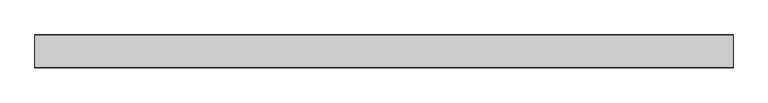
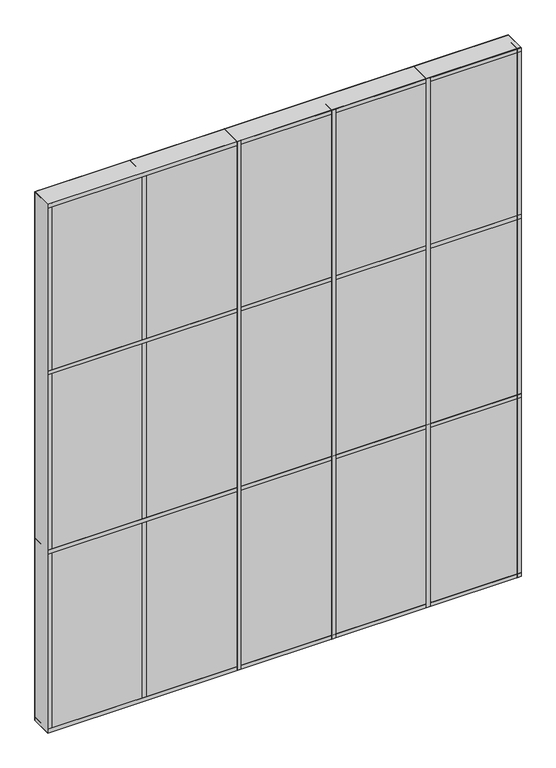
"""IFC4 building model written with IfcOpenShell, lengths in millimetres: plate geometry."""

from ifc_helpers import new_model, si_unit, frame, origin, origin_with_axes, place, context, project, spatial, polyline, outline, extrude, source, transform, mapped, element, save


def plate_5e3187c9(model_context):
    return source(origin(), model_context, "Body", "SweptSolid", [
        extrude(outline(polyline([(762.0, 34.925), (762.0, -34.925), (-762.0, -34.925), (-762.0, 34.925), (762.0, 34.925)])), origin_with_axes(), (0.0, 0.0, 1.0), 1799.8),
        extrude(outline(polyline([(469.9, 35.71875), (469.9, -35.71875), (457.2, -35.71875), (457.2, 35.71875), (469.9, 35.71875)])), origin_with_axes(), (0.0, 0.0, 1.0), 1799.8),
        extrude(outline(polyline([(165.1, 35.71875), (165.1, -35.71875), (152.4, -35.71875), (152.4, 35.71875), (165.1, 35.71875)])), origin_with_axes(), (0.0, 0.0, 1.0), 1799.8),
        extrude(outline(polyline([(-139.7, 35.71875), (-139.7, -35.71875), (-152.4, -35.71875), (-152.4, 35.71875), (-139.7, 35.71875)])), origin_with_axes(), (0.0, 0.0, 1.0), 1799.8),
        extrude(outline(polyline([(762.0, 35.71875), (762.0, -35.71875), (-762.0, -35.71875), (-762.0, 35.71875), (762.0, 35.71875)])), frame((0.0, 0.0, 1219.2), z_axis=(0.0, 0.0, 1.0), x_axis=(1.0, 0.0, 0.0)), (0.0, 0.0, 1.0), 12.7),
        extrude(outline(polyline([(762.0, 35.71875), (762.0, -35.71875), (-762.0, -35.71875), (-762.0, 35.71875), (762.0, 35.71875)])), frame((0.0, 0.0, 1787.1), z_axis=(0.0, 0.0, 1.0), x_axis=(1.0, 0.0, 0.0)), (0.0, 0.0, 1.0), 12.7),
        extrude(outline(polyline([(762.0, 35.71875), (762.0, -35.71875), (-762.0, -35.71875), (-762.0, 35.71875), (762.0, 35.71875)])), frame((0.0, 0.0, 609.6), z_axis=(0.0, 0.0, 1.0), x_axis=(1.0, 0.0, 0.0)), (0.0, 0.0, 1.0), 12.7),
        extrude(outline(polyline([(762.0, 35.71875), (762.0, -35.71875), (-762.0, -35.71875), (-762.0, 35.71875), (762.0, 35.71875)])), origin_with_axes(), (0.0, 0.0, 1.0), 12.7),
        extrude(outline(polyline([(-444.5, 35.71875), (-444.5, -35.71875), (-457.2, -35.71875), (-457.2, 35.71875), (-444.5, 35.71875)])), origin_with_axes(), (0.0, 0.0, 1.0), 1799.8),
        extrude(outline(polyline([(762.0, 35.71875), (762.0, -35.71875), (749.3, -35.71875), (749.3, 35.71875), (762.0, 35.71875)])), origin_with_axes(), (0.0, 0.0, 1.0), 1799.8),
        extrude(outline(polyline([(-749.3, 35.71875), (-749.3, -35.71875), (-762.0, -35.71875), (-762.0, 35.71875), (-749.3, 35.71875)])), origin_with_axes(), (0.0, 0.0, 1.0), 1799.8),
    ])


if __name__ == "__main__":
    model = new_model("IFC4")
    model_context = context("Model", 3, world=origin())
    ifc_project = project(units=[si_unit("LENGTHUNIT", "METRE", prefix="MILLI")], contexts=[model_context])
    site = spatial("IfcSite", under=ifc_project)
    building = spatial("IfcBuilding", under=site)
    placement = place(None, origin())
    plate_shape = plate_5e3187c9(model_context)
    element("IfcPlate", 1, at=placement, inside=building, context=model_context, shape_type="MappedRepresentation", body=[
        mapped(plate_shape, transform((0.0, 0.0, 0.0), x_axis=(1.0, 0.0, 0.0), y_axis=(0.0, 1.0, 0.0), z_axis=(0.0, 0.0, 1.0))),
    ])
    save(model, "model.ifc")
